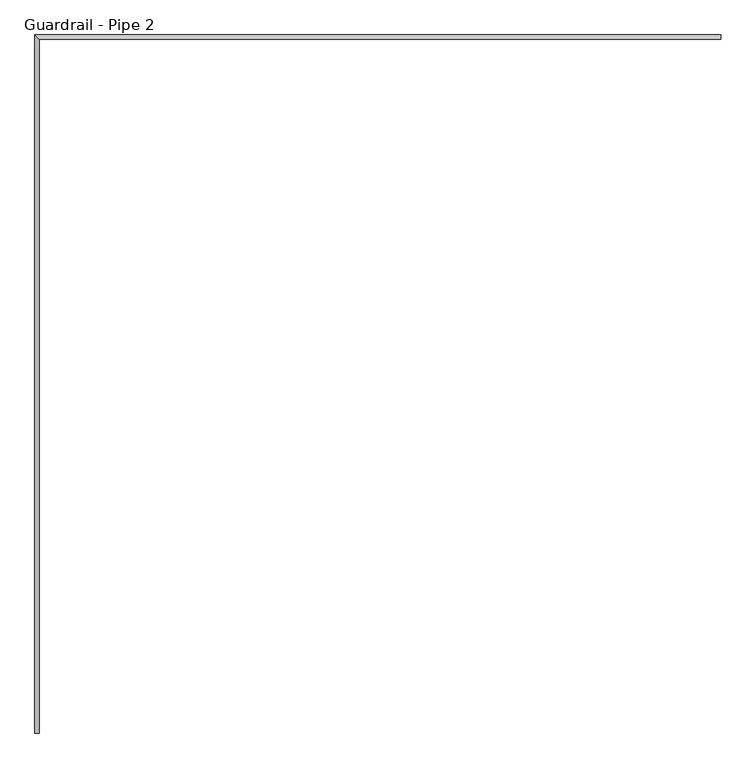
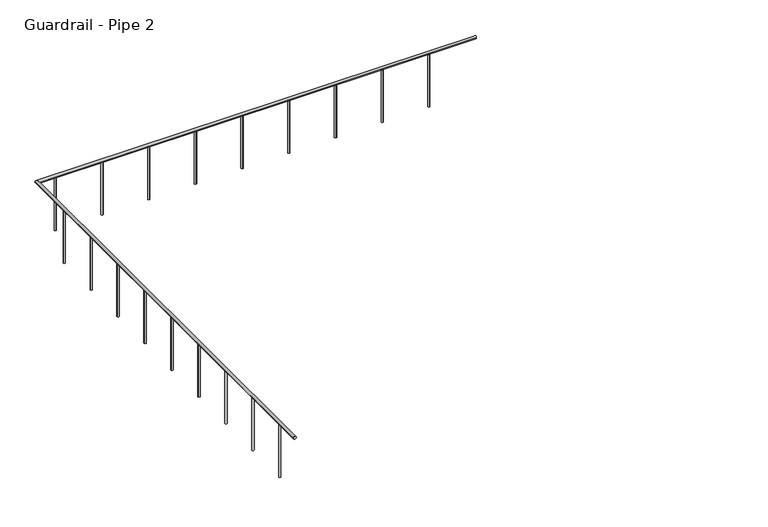
"""IFC4 building model written with IfcOpenShell, lengths in millimetres: railing geometry, Guardrail - Pipe 2."""

from ifc_helpers import new_model, si_unit, point, frame, frame_2d, origin, place, context, project, spatial, circle_curve, ellipse_curve, trimmed, segment, composite_curve, outline, extrude, source, transform, mapped, element, save
from ifc_brep_helpers import plane_surface, cylinder_surface, advanced_brep


def guardrail_pipe_2_d5c841af(model_context):
    return source(origin(), model_context, "Body", "SolidModel", [
        advanced_brep(
        [(272742.3125586, -394383.4330223, 5670.55), (272742.3125586, -394345.3330223, 5670.55), (267038.8572759, -394383.4330223, 5670.55), (267000.7572759, -394345.3330223, 5670.55), (267038.8572759, -400187.12543, 5670.55), (267000.7572759, -400187.12543, 5670.55)],
        [
            (0, 1, circle_curve(frame((272742.3125586, -394364.3830223, 5670.55), z_axis=(1.0, 0.0, 0.0), x_axis=(0.0, 1.0, 0.0)), 19.05)),
            (1, 0, circle_curve(frame((272742.3125586, -394364.3830223, 5670.55), z_axis=(1.0, 0.0, 0.0), x_axis=(0.0, 1.0, 0.0)), 19.05)),
            (0, 2),
            (2, 3, ellipse_curve(frame((267019.8072759, -394364.3830223, 5670.55), z_axis=(0.7071067811865475, 0.7071067811865475, 0.0), x_axis=(0.7071067811865476, -0.7071067811865474, 0.0)), 26.9407684, 19.05)),
            (3, 1),
            (3, 2, ellipse_curve(frame((267019.8072759, -394364.3830223, 5670.55), z_axis=(0.7071067811865475, 0.7071067811865475, 0.0), x_axis=(0.7071067811865476, -0.7071067811865474, 0.0)), 26.9407684, 19.05)),
            (4, 5, circle_curve(frame((267019.8072759, -400187.12543, 5670.55), z_axis=(0.0, -1.0, 0.0), x_axis=(-1.0, 0.0, 0.0)), 19.05)),
            (5, 4, circle_curve(frame((267019.8072759, -400187.12543, 5670.55), z_axis=(0.0, -1.0, 0.0), x_axis=(-1.0, 0.0, 0.0)), 19.05)),
            (2, 4),
            (5, 3),
        ],
        [
            plane_surface(frame((272742.3125586, -394364.3830223, 5689.6), z_axis=(1.0, 0.0, 0.0), x_axis=(0.0, -1.0, 0.0))),
            cylinder_surface(frame((272742.3125586, -394364.3830223, 5670.55), z_axis=(1.0, 0.0, 0.0), x_axis=(0.0, 1.0, 0.0)), 19.05),
            plane_surface(frame((267019.8072759, -400187.12543, 5689.6), z_axis=(0.0, -1.0, 0.0), x_axis=(0.0, 0.0, -1.0))),
            cylinder_surface(frame((267019.8072759, -394364.3830223, 5670.55), z_axis=(0.0, 1.0, 0.0), x_axis=(-1.0, 0.0, 0.0)), 19.05),
        ],
        [
            (0, [[1, 2]]),
            (1, [[-1, 3, 4, 5]]),
            (1, [[-2, -5, 6, -3]]),
            (2, [[7, 8]]),
            (3, [[-4, 9, -8, 10]]),
            (3, [[-6, -10, -7, -9]]),
        ],
    ),
        extrude(outline(composite_curve([segment(trimmed(circle_curve(frame_2d((267019.8072759, -399850.7830223)), 12.7), [point((267032.5072759, -399850.7830223))], [point((267007.1072759, -399850.7830223))], False, "CARTESIAN"), True, "CONTINUOUS"), segment(trimmed(circle_curve(frame_2d((267019.8072759, -399850.7830223)), 12.7), [point((267007.1072759, -399850.7830223))], [point((267032.5072759, -399850.7830223))], False, "CARTESIAN"), True, "CONTINUOUS")], self_intersect=False)), frame((0.0, 0.0, 4927.6), z_axis=(0.0, 0.0, 1.0), x_axis=(1.0, 0.0, 0.0)), (0.0, 0.0, 1.0), 723.9),
        extrude(outline(composite_curve([segment(trimmed(circle_curve(frame_2d((267019.8072759, -399241.1830223)), 12.7), [point((267032.5072759, -399241.1830223))], [point((267007.1072759, -399241.1830223))], False, "CARTESIAN"), True, "CONTINUOUS"), segment(trimmed(circle_curve(frame_2d((267019.8072759, -399241.1830223)), 12.7), [point((267007.1072759, -399241.1830223))], [point((267032.5072759, -399241.1830223))], False, "CARTESIAN"), True, "CONTINUOUS")], self_intersect=False)), frame((0.0, 0.0, 4927.6), z_axis=(0.0, 0.0, 1.0), x_axis=(1.0, 0.0, 0.0)), (0.0, 0.0, 1.0), 723.9),
        extrude(outline(composite_curve([segment(trimmed(circle_curve(frame_2d((267019.8072759, -398631.5830223)), 12.7), [point((267032.5072759, -398631.5830223))], [point((267007.1072759, -398631.5830223))], False, "CARTESIAN"), True, "CONTINUOUS"), segment(trimmed(circle_curve(frame_2d((267019.8072759, -398631.5830223)), 12.7), [point((267007.1072759, -398631.5830223))], [point((267032.5072759, -398631.5830223))], False, "CARTESIAN"), True, "CONTINUOUS")], self_intersect=False)), frame((0.0, 0.0, 4927.6), z_axis=(0.0, 0.0, 1.0), x_axis=(1.0, 0.0, 0.0)), (0.0, 0.0, 1.0), 723.9),
        extrude(outline(composite_curve([segment(trimmed(circle_curve(frame_2d((267019.8072759, -398021.9830223)), 12.7), [point((267032.5072759, -398021.9830223))], [point((267007.1072759, -398021.9830223))], False, "CARTESIAN"), True, "CONTINUOUS"), segment(trimmed(circle_curve(frame_2d((267019.8072759, -398021.9830223)), 12.7), [point((267007.1072759, -398021.9830223))], [point((267032.5072759, -398021.9830223))], False, "CARTESIAN"), True, "CONTINUOUS")], self_intersect=False)), frame((0.0, 0.0, 4927.6), z_axis=(0.0, 0.0, 1.0), x_axis=(1.0, 0.0, 0.0)), (0.0, 0.0, 1.0), 723.9),
        extrude(outline(composite_curve([segment(trimmed(circle_curve(frame_2d((267019.8072759, -397412.3830223)), 12.7), [point((267032.5072759, -397412.3830223))], [point((267007.1072759, -397412.3830223))], False, "CARTESIAN"), True, "CONTINUOUS"), segment(trimmed(circle_curve(frame_2d((267019.8072759, -397412.3830223)), 12.7), [point((267007.1072759, -397412.3830223))], [point((267032.5072759, -397412.3830223))], False, "CARTESIAN"), True, "CONTINUOUS")], self_intersect=False)), frame((0.0, 0.0, 4927.6), z_axis=(0.0, 0.0, 1.0), x_axis=(1.0, 0.0, 0.0)), (0.0, 0.0, 1.0), 723.9),
        extrude(outline(composite_curve([segment(trimmed(circle_curve(frame_2d((267019.8072759, -396802.7830223)), 12.7), [point((267032.5072759, -396802.7830223))], [point((267007.1072759, -396802.7830223))], False, "CARTESIAN"), True, "CONTINUOUS"), segment(trimmed(circle_curve(frame_2d((267019.8072759, -396802.7830223)), 12.7), [point((267007.1072759, -396802.7830223))], [point((267032.5072759, -396802.7830223))], False, "CARTESIAN"), True, "CONTINUOUS")], self_intersect=False)), frame((0.0, 0.0, 4927.6), z_axis=(0.0, 0.0, 1.0), x_axis=(1.0, 0.0, 0.0)), (0.0, 0.0, 1.0), 723.9),
        extrude(outline(composite_curve([segment(trimmed(circle_curve(frame_2d((267019.8072759, -396193.1830223)), 12.7), [point((267032.5072759, -396193.1830223))], [point((267007.1072759, -396193.1830223))], False, "CARTESIAN"), True, "CONTINUOUS"), segment(trimmed(circle_curve(frame_2d((267019.8072759, -396193.1830223)), 12.7), [point((267007.1072759, -396193.1830223))], [point((267032.5072759, -396193.1830223))], False, "CARTESIAN"), True, "CONTINUOUS")], self_intersect=False)), frame((0.0, 0.0, 4927.6), z_axis=(0.0, 0.0, 1.0), x_axis=(1.0, 0.0, 0.0)), (0.0, 0.0, 1.0), 723.9),
        extrude(outline(composite_curve([segment(trimmed(circle_curve(frame_2d((267019.8072759, -395583.5830223)), 12.7), [point((267032.5072759, -395583.5830223))], [point((267007.1072759, -395583.5830223))], False, "CARTESIAN"), True, "CONTINUOUS"), segment(trimmed(circle_curve(frame_2d((267019.8072759, -395583.5830223)), 12.7), [point((267007.1072759, -395583.5830223))], [point((267032.5072759, -395583.5830223))], False, "CARTESIAN"), True, "CONTINUOUS")], self_intersect=False)), frame((0.0, 0.0, 4927.6), z_axis=(0.0, 0.0, 1.0), x_axis=(1.0, 0.0, 0.0)), (0.0, 0.0, 1.0), 723.9),
        extrude(outline(composite_curve([segment(trimmed(circle_curve(frame_2d((267019.8072759, -394973.9830223)), 12.7), [point((267032.5072759, -394973.9830223))], [point((267007.1072759, -394973.9830223))], False, "CARTESIAN"), True, "CONTINUOUS"), segment(trimmed(circle_curve(frame_2d((267019.8072759, -394973.9830223)), 12.7), [point((267007.1072759, -394973.9830223))], [point((267032.5072759, -394973.9830223))], False, "CARTESIAN"), True, "CONTINUOUS")], self_intersect=False)), frame((0.0, 0.0, 4927.6), z_axis=(0.0, 0.0, 1.0), x_axis=(1.0, 0.0, 0.0)), (0.0, 0.0, 1.0), 723.9),
        extrude(outline(composite_curve([segment(trimmed(circle_curve(frame_2d((267255.9125586, -394364.3830223)), 12.7), [point((267255.9125586, -394377.0830223))], [point((267255.9125586, -394351.6830223))], False, "CARTESIAN"), True, "CONTINUOUS"), segment(trimmed(circle_curve(frame_2d((267255.9125586, -394364.3830223)), 12.7), [point((267255.9125586, -394351.6830223))], [point((267255.9125586, -394377.0830223))], False, "CARTESIAN"), True, "CONTINUOUS")], self_intersect=False)), frame((0.0, 0.0, 4927.6), z_axis=(0.0, 0.0, 1.0), x_axis=(1.0, 0.0, 0.0)), (0.0, 0.0, 1.0), 723.9),
        extrude(outline(composite_curve([segment(trimmed(circle_curve(frame_2d((267865.5125586, -394364.3830223)), 12.7), [point((267865.5125586, -394377.0830223))], [point((267865.5125586, -394351.6830223))], False, "CARTESIAN"), True, "CONTINUOUS"), segment(trimmed(circle_curve(frame_2d((267865.5125586, -394364.3830223)), 12.7), [point((267865.5125586, -394351.6830223))], [point((267865.5125586, -394377.0830223))], False, "CARTESIAN"), True, "CONTINUOUS")], self_intersect=False)), frame((0.0, 0.0, 4927.6), z_axis=(0.0, 0.0, 1.0), x_axis=(1.0, 0.0, 0.0)), (0.0, 0.0, 1.0), 723.9),
        extrude(outline(composite_curve([segment(trimmed(circle_curve(frame_2d((268475.1125586, -394364.3830223)), 12.7), [point((268475.1125586, -394377.0830223))], [point((268475.1125586, -394351.6830223))], False, "CARTESIAN"), True, "CONTINUOUS"), segment(trimmed(circle_curve(frame_2d((268475.1125586, -394364.3830223)), 12.7), [point((268475.1125586, -394351.6830223))], [point((268475.1125586, -394377.0830223))], False, "CARTESIAN"), True, "CONTINUOUS")], self_intersect=False)), frame((0.0, 0.0, 4927.6), z_axis=(0.0, 0.0, 1.0), x_axis=(1.0, 0.0, 0.0)), (0.0, 0.0, 1.0), 723.9),
        extrude(outline(composite_curve([segment(trimmed(circle_curve(frame_2d((269084.7125586, -394364.3830223)), 12.7), [point((269084.7125586, -394377.0830223))], [point((269084.7125586, -394351.6830223))], False, "CARTESIAN"), True, "CONTINUOUS"), segment(trimmed(circle_curve(frame_2d((269084.7125586, -394364.3830223)), 12.7), [point((269084.7125586, -394351.6830223))], [point((269084.7125586, -394377.0830223))], False, "CARTESIAN"), True, "CONTINUOUS")], self_intersect=False)), frame((0.0, 0.0, 4927.6), z_axis=(0.0, 0.0, 1.0), x_axis=(1.0, 0.0, 0.0)), (0.0, 0.0, 1.0), 723.9),
        extrude(outline(composite_curve([segment(trimmed(circle_curve(frame_2d((269694.3125586, -394364.3830223)), 12.7), [point((269694.3125586, -394377.0830223))], [point((269694.3125586, -394351.6830223))], False, "CARTESIAN"), True, "CONTINUOUS"), segment(trimmed(circle_curve(frame_2d((269694.3125586, -394364.3830223)), 12.7), [point((269694.3125586, -394351.6830223))], [point((269694.3125586, -394377.0830223))], False, "CARTESIAN"), True, "CONTINUOUS")], self_intersect=False)), frame((0.0, 0.0, 4927.6), z_axis=(0.0, 0.0, 1.0), x_axis=(1.0, 0.0, 0.0)), (0.0, 0.0, 1.0), 723.9),
        extrude(outline(composite_curve([segment(trimmed(circle_curve(frame_2d((270303.9125586, -394364.3830223)), 12.7), [point((270303.9125586, -394377.0830223))], [point((270303.9125586, -394351.6830223))], False, "CARTESIAN"), True, "CONTINUOUS"), segment(trimmed(circle_curve(frame_2d((270303.9125586, -394364.3830223)), 12.7), [point((270303.9125586, -394351.6830223))], [point((270303.9125586, -394377.0830223))], False, "CARTESIAN"), True, "CONTINUOUS")], self_intersect=False)), frame((0.0, 0.0, 4927.6), z_axis=(0.0, 0.0, 1.0), x_axis=(1.0, 0.0, 0.0)), (0.0, 0.0, 1.0), 723.9),
        extrude(outline(composite_curve([segment(trimmed(circle_curve(frame_2d((270913.5125586, -394364.3830223)), 12.7), [point((270913.5125586, -394377.0830223))], [point((270913.5125586, -394351.6830223))], False, "CARTESIAN"), True, "CONTINUOUS"), segment(trimmed(circle_curve(frame_2d((270913.5125586, -394364.3830223)), 12.7), [point((270913.5125586, -394351.6830223))], [point((270913.5125586, -394377.0830223))], False, "CARTESIAN"), True, "CONTINUOUS")], self_intersect=False)), frame((0.0, 0.0, 4927.6), z_axis=(0.0, 0.0, 1.0), x_axis=(1.0, 0.0, 0.0)), (0.0, 0.0, 1.0), 723.9),
        extrude(outline(composite_curve([segment(trimmed(circle_curve(frame_2d((271523.1125586, -394364.3830223)), 12.7), [point((271523.1125586, -394377.0830223))], [point((271523.1125586, -394351.6830223))], False, "CARTESIAN"), True, "CONTINUOUS"), segment(trimmed(circle_curve(frame_2d((271523.1125586, -394364.3830223)), 12.7), [point((271523.1125586, -394351.6830223))], [point((271523.1125586, -394377.0830223))], False, "CARTESIAN"), True, "CONTINUOUS")], self_intersect=False)), frame((0.0, 0.0, 4927.6), z_axis=(0.0, 0.0, 1.0), x_axis=(1.0, 0.0, 0.0)), (0.0, 0.0, 1.0), 723.9),
        extrude(outline(composite_curve([segment(trimmed(circle_curve(frame_2d((272132.7125586, -394364.3830223)), 12.7), [point((272132.7125586, -394377.0830223))], [point((272132.7125586, -394351.6830223))], False, "CARTESIAN"), True, "CONTINUOUS"), segment(trimmed(circle_curve(frame_2d((272132.7125586, -394364.3830223)), 12.7), [point((272132.7125586, -394351.6830223))], [point((272132.7125586, -394377.0830223))], False, "CARTESIAN"), True, "CONTINUOUS")], self_intersect=False)), frame((0.0, 0.0, 4927.6), z_axis=(0.0, 0.0, 1.0), x_axis=(1.0, 0.0, 0.0)), (0.0, 0.0, 1.0), 723.9),
    ])


if __name__ == "__main__":
    model = new_model("IFC4")
    model_context = context("Model", 3, world=origin())
    ifc_project = project(units=[si_unit("LENGTHUNIT", "METRE", prefix="MILLI")], contexts=[model_context])
    site = spatial("IfcSite", under=ifc_project)
    building = spatial("IfcBuilding", under=site)
    placement = place(None, origin())
    guardrail_pipe_2_shape = guardrail_pipe_2_d5c841af(model_context)
    element("IfcRailing", 1, ObjectType="Guardrail - Pipe 2", at=placement, inside=building, context=model_context, shape_type="MappedRepresentation", body=[
        mapped(guardrail_pipe_2_shape, transform((0.0, 0.0, 0.0), x_axis=(1.0, 0.0, 0.0), y_axis=(0.0, 1.0, 0.0), z_axis=(0.0, 0.0, 1.0))),
    ])
    save(model, "model.ifc")
